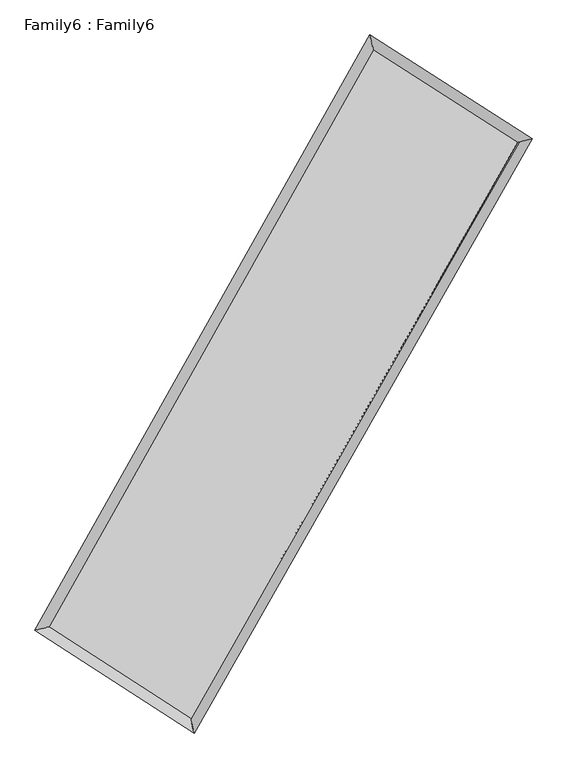
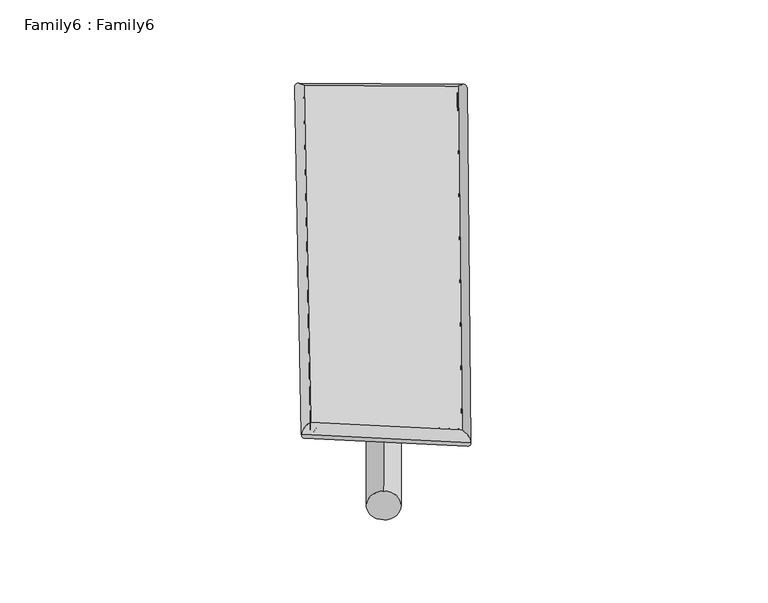
"""IFC4 building model written with IfcOpenShell, lengths in millimetres: plate geometry, Family6 : Family6."""

from ifc_helpers import new_model, si_unit, point, frame, origin, origin_2d, place, context, project, spatial, circle_curve, ellipse_curve, trimmed, segment, composite_curve, outline, extrude, source, transform, mapped, element, save
from ifc_brep_helpers import plane_surface, cylinder_surface, spline_surface, advanced_brep


def family6_family6_c2fc2f56(model_context):
    return source(origin(), model_context, "Body", "SolidModel", [
        extrude(outline(composite_curve([segment(trimmed(circle_curve(origin_2d(), 76.2), [point((-75.4341515, -10.7763073))], [point((75.4341515, 10.7763073))], False, "CARTESIAN"), True, "CONTINUOUS"), segment(trimmed(circle_curve(origin_2d(), 76.2), [point((75.4341515, 10.7763073))], [point((-75.4341515, -10.7763073))], False, "CARTESIAN"), True, "CONTINUOUS")], self_intersect=False)), frame((9144.0, 9144.0, 0.0), z_axis=(0.6700191032600818, 0.6865356055583879, 0.28238849758291057), x_axis=(-0.6794604910733195, 0.7203814244800808, -0.1392265934886479)), (0.0, 0.0, 1.0), 5509.950116),
        extrude(outline(composite_curve([segment(trimmed(circle_curve(origin_2d(), 76.2), [point((-53.8815367, 53.8815367))], [point((53.8815367, -53.8815367))], False, "CARTESIAN"), True, "CONTINUOUS"), segment(trimmed(circle_curve(origin_2d(), 76.2), [point((53.8815367, -53.8815367))], [point((-53.8815367, 53.8815367))], False, "CARTESIAN"), True, "CONTINUOUS")], self_intersect=False)), frame((9144.0, 9144.0, 0.0), z_axis=(-0.6667619114793829, -0.6894731702467775, 0.28294045470773166), x_axis=(0.6492810735361138, -0.35101504183960547, 0.6747018066895416)), (0.0, 0.0, 1.0), 5500.2886803),
        extrude(outline(composite_curve([segment(trimmed(circle_curve(origin_2d(), 76.2), [point((-53.8815367, -53.8815367))], [point((53.8815367, 53.8815367))], False, "CARTESIAN"), True, "CONTINUOUS"), segment(trimmed(circle_curve(origin_2d(), 76.2), [point((53.8815367, 53.8815367))], [point((-53.8815367, -53.8815367))], False, "CARTESIAN"), True, "CONTINUOUS")], self_intersect=False)), frame((9144.0, 9144.0, 0.0), z_axis=(0.2513529849215842, 0.931055621706202, 0.2644940571360495), x_axis=(-0.8429587414650286, 0.344866758667789, -0.4129012944441663)), (0.0, 0.0, 1.0), 5629.3771421),
        extrude(outline(composite_curve([segment(trimmed(circle_curve(origin_2d(), 76.2), [point((-75.4341514, 10.7763073))], [point((75.4341514, -10.7763073))], False, "CARTESIAN"), True, "CONTINUOUS"), segment(trimmed(circle_curve(origin_2d(), 76.2), [point((75.4341514, -10.7763073))], [point((-75.4341514, 10.7763073))], False, "CARTESIAN"), True, "CONTINUOUS")], self_intersect=False)), frame((9144.0, 9144.0, 0.0), z_axis=(-0.25540994712146003, -0.9299569681717218, 0.2644726758292289), x_axis=(0.885144912260446, -0.11486564806886529, 0.4509150332303938)), (0.0, 0.0, 1.0), 5627.9474987),
        advanced_brep(
        [(5273.7327087, 5301.6642566, 1551.3295484), (5273.6166199, 5301.4822636, 1562.7194937), (5679.5013029, 5401.732796, 1561.1788121), (10612.5690745, 14169.9683163, 1495.8386426), (10505.3524214, 14600.5581535, 1482.0349564), (5679.6173917, 5401.914789, 1549.7888667), (12631.8207188, 12876.4702013, 1555.2680434), (13039.7229526, 12977.0836777, 1556.6250267), (7653.8360447, 4125.7724658, 1489.7501418), (7759.2964092, 3694.7295484, 1487.126527)],
        [
            (0, 1, ellipse_curve(frame((5476.6170058, 5351.6985263, 1556.2541802), z_axis=(-0.23971955259544986, 0.9707542265038153, 0.013067816512971023), x_axis=(-0.9704986590812289, -0.2399710623373238, 0.02337181983143243)), 209.2243486, 152.4)),
            (1, 2, ellipse_curve(frame((5476.6170058, 5351.6985263, 1556.2541802), z_axis=(-0.23971955259544986, 0.9707542265038153, 0.013067816512971023), x_axis=(-0.9704986590812289, -0.2399710623373238, 0.02337181983143243)), 209.2243486, 152.4)),
            (2, 3),
            (3, 4, ellipse_curve(frame((10558.9607479, 14385.2632349, 1488.9367995), z_axis=(-0.970184345644205, -0.24200222488350745, -0.0133138506209907), x_axis=(0.2416899103382525, -0.970115261186995, 0.021502726635846934)), 221.9875617, 152.4)),
            (4, 0),
            (2, 5, ellipse_curve(frame((5476.6170058, 5351.6985263, 1556.2541802), z_axis=(-0.23971955259544986, 0.9707542265038153, 0.013067816512971023), x_axis=(-0.9704986590812289, -0.2399710623373238, 0.02337181983143243)), 209.2243486, 152.4)),
            (5, 0, ellipse_curve(frame((5476.6170058, 5351.6985263, 1556.2541802), z_axis=(-0.23971955259544986, 0.9707542265038153, 0.013067816512971023), x_axis=(-0.9704986590812289, -0.2399710623373238, 0.02337181983143243)), 209.2243486, 152.4)),
            (4, 3, ellipse_curve(frame((10558.9607479, 14385.2632349, 1488.9367995), z_axis=(-0.970184345644205, -0.24200222488350745, -0.0133138506209907), x_axis=(0.2416899103382525, -0.970115261186995, 0.021502726635846934)), 221.9875617, 152.4)),
            (3, 6),
            (6, 7, ellipse_curve(frame((12835.7718357, 12926.7769395, 1555.946535), z_axis=(-0.23942459492174753, 0.9708333067197458, -0.012591819175998253), x_axis=(-0.9705910462361497, -0.23965956339757177, -0.02272255791723091)), 210.1009034, 152.4)),
            (7, 4),
            (7, 6, ellipse_curve(frame((12835.7718357, 12926.7769395, 1555.946535), z_axis=(-0.23942459492174753, 0.9708333067197458, -0.012591819175998253), x_axis=(-0.9705910462361497, -0.23965956339757177, -0.02272255791723091)), 210.1009034, 152.4)),
            (6, 8),
            (8, 9, ellipse_curve(frame((7706.5662269, 3910.2510071, 1488.4383344), z_axis=(0.9712373167382008, 0.23771039153164275, -0.013850788174432088), x_axis=(-0.23737891455188656, 0.9711671060168654, 0.022038673213117446)), 221.9144894, 152.4)),
            (9, 7),
            (9, 8, ellipse_curve(frame((7706.5662269, 3910.2510071, 1488.4383344), z_axis=(0.9712373167382008, 0.23771039153164275, -0.013850788174432088), x_axis=(-0.23737891455188656, 0.9711671060168654, 0.022038673213117446)), 221.9144894, 152.4)),
            (8, 5),
            (1, 9),
        ],
        [
            cylinder_surface(frame((5476.6170058, 5351.6985263, 1556.2541802), z_axis=(-0.49032151762583986, -0.8715174301942726, 0.006494476165520685), x_axis=(-0.8710149629740694, 0.4897525981793847, -0.038409983751919737)), 152.4),
            cylinder_surface(frame((10558.9607479, 14385.2632349, 1488.9367995), z_axis=(-0.8417900038189304, 0.5392362988505884, -0.024775057466015576), x_axis=(0.5397014702582275, 0.8416408934860397, -0.019050706368238333)), 152.4),
            cylinder_surface(frame((12835.7718357, 12926.7769395, 1555.946535), z_axis=(0.49444920073432264, 0.8691821659589016, 0.006507708673729378), x_axis=(0.8692048230722389, -0.49444920073432264, -0.0017214648261351022)), 152.4),
            cylinder_surface(frame((7706.5662269, 3910.2510071, 1488.4383344), z_axis=(0.839547217788518, -0.5426864625052525, -0.0255317942396173), x_axis=(-0.5423765177653512, -0.8399338185784619, 0.018409057144112097)), 152.4),
        ],
        [
            (0, [[1, 2, 3, 4, 5]]),
            (0, [[6, 7, -5, 8, -3]]),
            (1, [[-4, 9, 10, 11]]),
            (1, [[-8, -11, 12, -9]]),
            (2, [[-10, 13, 14, 15]]),
            (2, [[-12, -15, 16, -13]]),
            (3, [[-14, 17, -6, -2, 18]]),
            (3, [[-16, -18, -1, -7, -17]]),
        ],
    ),
        extrude(outline(composite_curve([segment(trimmed(circle_curve(origin_2d(), 304.8), [point((0.0, 304.8))], [point((0.0, -304.7999999))], False, "CARTESIAN"), True, "CONTINUOUS"), segment(trimmed(circle_curve(origin_2d(), 304.8), [point((0.0, -304.7999999))], [point((0.0, 304.8))], False, "CARTESIAN"), True, "CONTINUOUS")], self_intersect=False)), frame((11737.0629475, 13648.1972875, -0.0281705), z_axis=(-0.4989264736993996, -0.8666443179370089, 5.420242918227341e-06), x_axis=(-0.8666443179527479, 0.4989264736993996, -1.4487509268900627e-06)), (0.0, 0.0, 1.0), 10394.5694774),
        advanced_brep(
        [(5476.6170058, 5351.6985263, 1556.2541802), (7706.5662269, 3910.2510071, 1488.4383344), (7706.554438, 3910.2554589, 1640.8383339), (5476.6052169, 5351.7029781, 1708.6541797), (12835.7718357, 12926.7769395, 1555.946535), (12835.7600468, 12926.7813913, 1708.3465345), (10558.9607479, 14385.2632349, 1488.9367995), (10558.948959, 14385.2676867, 1641.3367989)],
        [
            (0, 1),
            (1, 2),
            (2, 3),
            (3, 0),
            (1, 4),
            (4, 5),
            (5, 2),
            (4, 6),
            (6, 7),
            (7, 5),
            (6, 0),
            (3, 7),
        ],
        [
            plane_surface(frame((6591.5916164, 4630.9747667, 1522.3462573), z_axis=(-0.5428638046700938, -0.8398207482994315, -1.746119877651421e-05), x_axis=(0.839547217788518, -0.5426864625052523, -0.02553179423961731))),
            plane_surface(frame((10271.1690313, 8418.5139733, 1522.1924347), z_axis=(0.8692003058555173, -0.494460131485718, 8.168109806483415e-05), x_axis=(0.4944492007343226, 0.8691821659589016, 0.006507708673729377))),
            plane_surface(frame((11697.3662918, 13656.0200872, 1522.4416672), z_axis=(0.5394015101150126, 0.8420486984683642, 1.7128290550899247e-05), x_axis=(-0.8417900038189303, 0.5392362988505885, -0.02477505746601557))),
            plane_surface(frame((8017.7888769, 9868.4808806, 1522.5954899), z_axis=(-0.8715360676972489, 0.49033139408077525, -8.174117610490516e-05), x_axis=(-0.49032151762584036, -0.8715174301942723, 0.006494476165520677))),
            spline_surface(1, 1, [[(7706.554438, 3910.2554589, 1640.8383339), (5476.6052169, 5351.7029781, 1708.6541797)], [(12835.7600468, 12926.7813913, 1708.3465345), (10558.948959, 14385.2676867, 1641.3367989)]], [2, 2], [2, 2], [0.0, 1.0], [0.0, 1.0]),
            spline_surface(1, 1, [[(10558.9607479, 14385.2632349, 1488.9367995), (5476.6170058, 5351.6985263, 1556.2541802)], [(12835.7718357, 12926.7769395, 1555.946535), (7706.5662269, 3910.2510071, 1488.4383344)]], [2, 2], [2, 2], [0.0, 1.0], [0.0, 1.0]),
        ],
        [
            (0, [[1, 2, 3, 4]]),
            (1, [[5, 6, 7, -2]]),
            (2, [[8, 9, 10, -6]]),
            (3, [[11, -4, 12, -9]]),
            (4, [[-3, -7, -10, -12]]),
            (5, [[-11, -8, -5, -1]]),
        ],
    ),
    ])


if __name__ == "__main__":
    model = new_model("IFC4")
    model_context = context("Model", 3, world=origin())
    ifc_project = project(units=[si_unit("LENGTHUNIT", "METRE", prefix="MILLI")], contexts=[model_context])
    site = spatial("IfcSite", under=ifc_project)
    building = spatial("IfcBuilding", under=site)
    placement = place(None, origin())
    family6_family6_shape = family6_family6_c2fc2f56(model_context)
    element("IfcPlate", 1, ObjectType="Family6 : Family6", at=placement, inside=building, context=model_context, shape_type="MappedRepresentation", body=[
        mapped(family6_family6_shape, transform((0.0, 0.0, 0.0), x_axis=(1.0, 0.0, 0.0), y_axis=(0.0, 1.0, 0.0), z_axis=(0.0, 0.0, 1.0))),
    ])
    save(model, "model.ifc")
